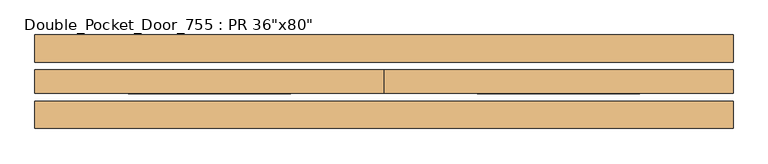
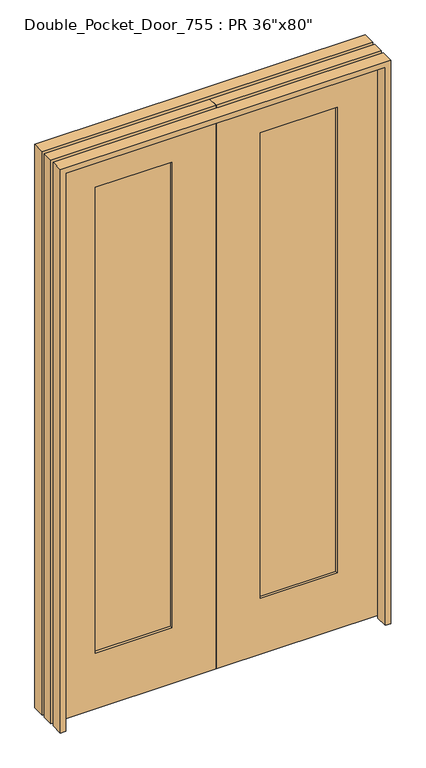
"""IFC4 building model written with IfcOpenShell, lengths in millimetres: door geometry."""

from ifc_helpers import new_model, si_unit, frame, origin, place, context, project, spatial, polyline, outline, extrude, source, transform, mapped, element, save


def door_f7ec47a5(model_context):
    return source(origin(), model_context, "Body", "SweptSolid", [
        extrude(outline(polyline([(-152.4, 9.525), (-152.4, -9.525), (-416.65, -9.525), (-416.65, 9.525), (-152.4, 9.525)])), frame((0.0, 0.0, 203.2), z_axis=(0.0, 0.0, 1.0), x_axis=(1.0, 0.0, 0.0)), (0.0, 0.0, 1.0), 1695.45),
        extrude(outline(polyline([(416.65, 9.525), (416.65, -9.525), (152.4, -9.525), (152.4, 9.525), (416.65, 9.525)])), frame((0.0, 0.0, 203.2), z_axis=(0.0, 0.0, 1.0), x_axis=(1.0, 0.0, 0.0)), (0.0, 0.0, 1.0), 1695.45),
        extrude(outline(polyline([(2051.05, 0.0), (0.0, 0.0), (0.0, 569.05), (2051.05, 569.05), (2051.05, 0.0)]), holes=[polyline([(1898.65, 152.4), (1898.65, 416.65), (203.2, 416.65), (203.2, 152.4), (1898.65, 152.4)])]), frame((0.0, -19.05, 0.0), z_axis=(0.0, 1.0, 0.0), x_axis=(0.0, 0.0, 1.0)), (0.0, 0.0, 1.0), 38.1),
        extrude(outline(polyline([(2051.05, 0.0), (2051.05, -569.05), (0.0, -569.05), (0.0, 0.0), (2051.05, 0.0)]), holes=[polyline([(1898.65, -152.4), (203.2, -152.4), (203.2, -416.65), (1898.65, -416.65), (1898.65, -152.4)])]), frame((0.0, -19.05, 0.0), z_axis=(0.0, 1.0, 0.0), x_axis=(0.0, 0.0, 1.0)), (0.0, 0.0, 1.0), 38.1),
        extrude(outline(polyline([(0.0, -550.0), (2032.0, -550.0), (2032.0, 550.0), (0.0, 550.0), (0.0, 569.05), (2051.05, 569.05), (2051.05, -569.05), (0.0, -569.05), (0.0, -550.0)])), frame((0.0, -76.2, 0.0), z_axis=(0.0, 1.0, 0.0), x_axis=(0.0, 0.0, 1.0)), (0.0, 0.0, 1.0), 44.45),
        extrude(outline(polyline([(0.0, -550.0), (2032.0, -550.0), (2032.0, 550.0), (0.0, 550.0), (0.0, 569.05), (2051.05, 569.05), (2051.05, -569.05), (0.0, -569.05), (0.0, -550.0)])), frame((0.0, 31.75, 0.0), z_axis=(0.0, 1.0, 0.0), x_axis=(0.0, 0.0, 1.0)), (0.0, 0.0, 1.0), 44.45),
    ])


if __name__ == "__main__":
    model = new_model("IFC4")
    model_context = context("Model", 3, world=origin())
    ifc_project = project(units=[si_unit("LENGTHUNIT", "METRE", prefix="MILLI")], contexts=[model_context])
    site = spatial("IfcSite", under=ifc_project)
    building = spatial("IfcBuilding", under=site)
    placement = place(None, origin())
    door_shape = door_f7ec47a5(model_context)
    element("IfcDoor", 1, ObjectType="Double_Pocket_Door_755 : PR 36\"x80\"", at=placement, inside=building, context=model_context, shape_type="MappedRepresentation", body=[
        mapped(door_shape, transform((0.0, 0.0, 0.0), x_axis=(1.0, 0.0, 0.0), y_axis=(0.0, 1.0, 0.0), z_axis=(0.0, 0.0, 1.0))),
    ])
    save(model, "model.ifc")
